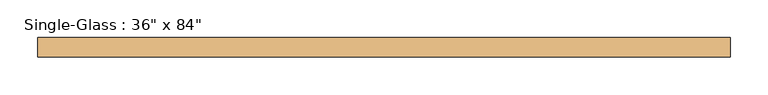
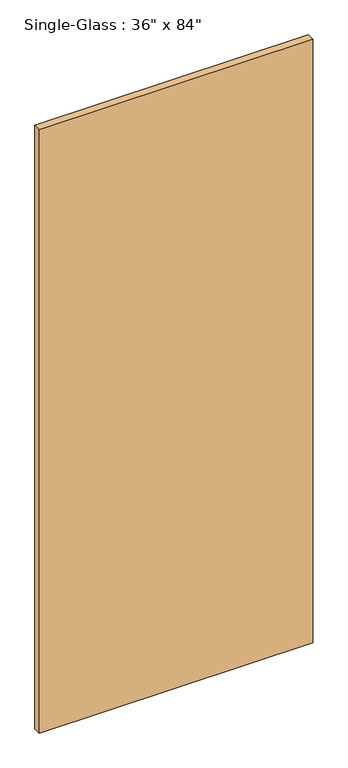
"""IFC4 building model written with IfcOpenShell, lengths in millimetres: door geometry."""

from ifc_helpers import new_model, si_unit, origin, origin_with_axes, place, context, project, spatial, polyline, outline, extrude, source, transform, mapped, element, save


def door_ce58da97(model_context):
    return source(origin(), model_context, "Body", "SweptSolid", [
        extrude(outline(polyline([(457.2, 0.0), (-457.2, 0.0), (-457.2, 25.4), (457.2, 25.4), (457.2, 0.0)])), origin_with_axes(), (0.0, 0.0, 1.0), 2133.6),
    ])


if __name__ == "__main__":
    model = new_model("IFC4")
    model_context = context("Model", 3, world=origin())
    ifc_project = project(units=[si_unit("LENGTHUNIT", "METRE", prefix="MILLI")], contexts=[model_context])
    site = spatial("IfcSite", under=ifc_project)
    building = spatial("IfcBuilding", under=site)
    placement = place(None, origin())
    door_shape = door_ce58da97(model_context)
    element("IfcDoor", 1, ObjectType="Single-Glass : 36\" x 84\"", at=placement, inside=building, context=model_context, shape_type="MappedRepresentation", body=[
        mapped(door_shape, transform((0.0, 0.0, 0.0), x_axis=(1.0, 0.0, 0.0), y_axis=(0.0, 1.0, 0.0), z_axis=(0.0, 0.0, 1.0))),
    ])
    save(model, "model.ifc")
